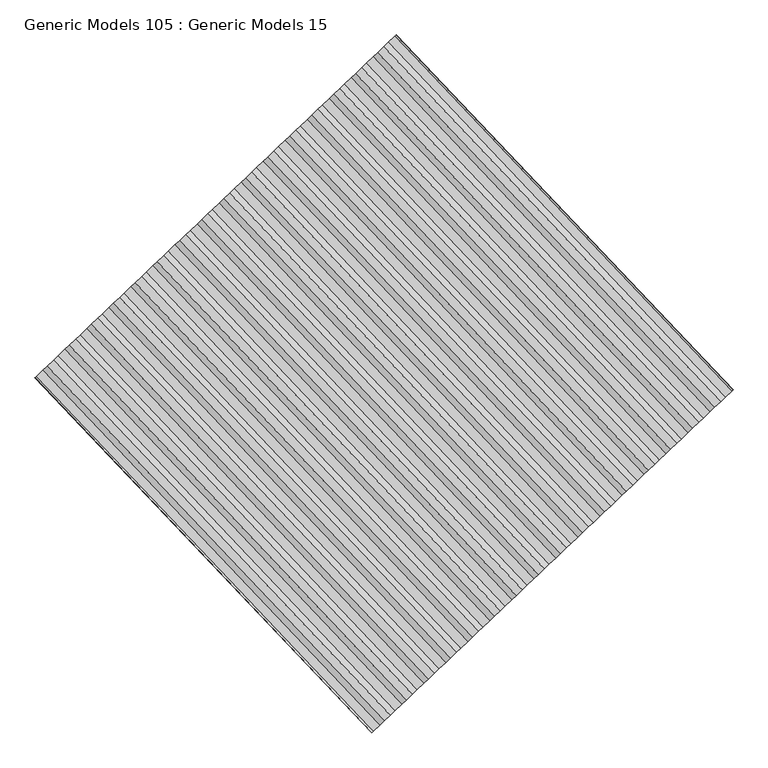
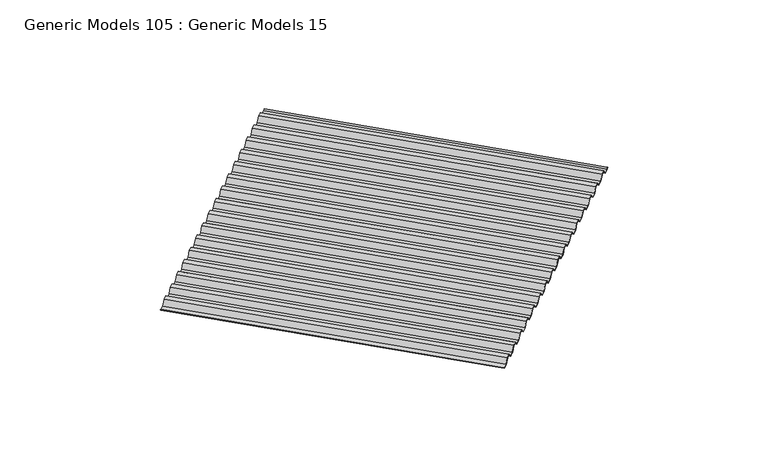
"""IFC4 building model written with IfcOpenShell, lengths in millimetres: proxy geometry, Generic Models 105 : Generic Models 15."""

from ifc_helpers import new_model, si_unit, frame, origin, place, context, project, spatial, polyline, outline, extrude, source, transform, mapped, element, save


def generic_models_105_generic_models_15_09720d56(model_context):
    return source(origin(), model_context, "Body", "SweptSolid", [
        extrude(outline(polyline([(231.5768689, -0.8929688), (219.856654, -14.2875), (203.7832166, -14.2875), (192.0630018, -0.8929688), (174.4268689, -0.8929688), (162.706654, -14.2875), (146.6332166, -14.2875), (134.9130018, -0.8929688), (117.2768689, -0.8929688), (105.556654, -14.2875), (89.4832166, -14.2875), (77.7630018, -0.8929688), (60.1268689, -0.8929688), (48.406654, -14.2875), (32.3332166, -14.2875), (20.6130017, -0.8929688), (3.7582166, -0.8929688), (0.6328259, -4.4648438), (0.0, -3.8320179), (3.3530157, 0.0), (21.0182026, 0.0), (32.7384174, -13.3945313), (48.0014532, -13.3945313), (59.7216681, 0.0), (78.1682026, 0.0), (89.8884174, -13.3945313), (105.1514532, -13.3945313), (116.8716681, 0.0), (135.3182026, 0.0), (147.0384174, -13.3945313), (162.3014532, -13.3945313), (174.0216681, 0.0), (192.4682026, 0.0), (204.1884174, -13.3945313), (219.4514532, -13.3945313), (231.1716681, 0.0), (249.6182026, 0.0), (261.3384174, -13.3945313), (276.6014532, -13.3945313), (288.3216681, 0.0), (306.7682026, 0.0), (318.4884174, -13.3945313), (333.7514532, -13.3945313), (345.4716681, 0.0), (363.9182026, 0.0), (375.6384173, -13.3945313), (390.9014532, -13.3945313), (402.6216681, 0.0), (421.0682026, 0.0), (432.7884174, -13.3945313), (448.0514533, -13.3945313), (459.7716681, 0.0), (478.2182026, 0.0), (489.9384174, -13.3945313), (505.2014533, -13.3945313), (516.921668, 0.0), (535.3682026, 0.0), (547.0884174, -13.3945313), (562.3514533, -13.3945313), (574.071668, 0.0), (592.5182026, 0.0), (604.2384174, -13.3945313), (619.5014533, -13.3945313), (631.221668, 0.0), (649.6682026, 0.0), (661.3884174, -13.3945313), (676.6514533, -13.3945313), (688.371668, 0.0), (706.8182025, 0.0), (718.5384174, -13.3945313), (733.8014533, -13.3945313), (745.521668, 0.0), (763.9682025, 0.0), (775.6884174, -13.3945313), (790.9514533, -13.3945313), (802.671668, 0.0), (821.1182025, 0.0), (832.8384174, -13.3945313), (848.1014532, -13.3945313), (859.821668, 0.0), (878.2682025, 0.0), (889.9884174, -13.3945313), (905.2514532, -13.3945313), (916.971668, 0.0), (934.6368549, 0.0), (937.9898705, -3.8320179), (937.3570447, -4.4648438), (934.231654, -0.8929688), (917.3768689, -0.8929688), (905.656654, -14.2875), (889.5832166, -14.2875), (877.8630017, -0.8929688), (860.2268689, -0.8929688), (848.506654, -14.2875), (832.4332166, -14.2875), (820.7130017, -0.8929688), (803.0768688, -0.8929688), (791.3566541, -14.2875), (775.2832166, -14.2875), (763.5630017, -0.8929688), (745.9268688, -0.8929688), (734.2066541, -14.2875), (718.1332166, -14.2875), (706.4130017, -0.8929688), (688.7768688, -0.8929688), (677.0566541, -14.2875), (660.9832166, -14.2875), (649.2630017, -0.8929688), (631.6268688, -0.8929688), (619.9066541, -14.2875), (603.8332166, -14.2875), (592.1130018, -0.8929688), (574.4768688, -0.8929688), (562.7566541, -14.2875), (546.6832165, -14.2875), (534.9630018, -0.8929688), (517.3268688, -0.8929688), (505.6066541, -14.2875), (489.5332165, -14.2875), (477.8130018, -0.8929688), (460.1768689, -0.8929688), (448.4566541, -14.2875), (432.3832165, -14.2875), (420.6630018, -0.8929688), (403.0268689, -0.8929688), (391.3066541, -14.2875), (375.2332165, -14.2875), (363.5130018, -0.8929688), (345.8768689, -0.8929688), (334.1566541, -14.2875), (318.0832166, -14.2875), (306.3630018, -0.8929688), (288.7268689, -0.8929688), (277.006654, -14.2875), (260.9332166, -14.2875), (249.2130018, -0.8929688), (231.5768689, -0.8929688)])), frame((102666.3140194, 42081.3814326, 17805.4), z_axis=(-0.6883545756937425, 0.7253743710122986, 0.0), x_axis=(0.7253743710122986, 0.6883545756937425, 0.0)), (0.0, 0.0, 1.0), 920.75),
    ])


if __name__ == "__main__":
    model = new_model("IFC4")
    model_context = context("Model", 3, world=origin())
    ifc_project = project(units=[si_unit("LENGTHUNIT", "METRE", prefix="MILLI")], contexts=[model_context])
    site = spatial("IfcSite", under=ifc_project)
    building = spatial("IfcBuilding", under=site)
    placement = place(None, origin())
    generic_models_105_generic_models_15_shape = generic_models_105_generic_models_15_09720d56(model_context)
    element("IfcBuildingElementProxy", 1, Name="Generic Models 105 : Generic Models 15", ObjectType="Generic Models 105 : Generic Models 15", at=placement, inside=building, context=model_context, shape_type="MappedRepresentation", body=[
        mapped(generic_models_105_generic_models_15_shape, transform((0.0, 0.0, 0.0), x_axis=(1.0, 0.0, 0.0), y_axis=(0.0, 1.0, 0.0), z_axis=(0.0, 0.0, 1.0))),
    ])
    save(model, "model.ifc")
